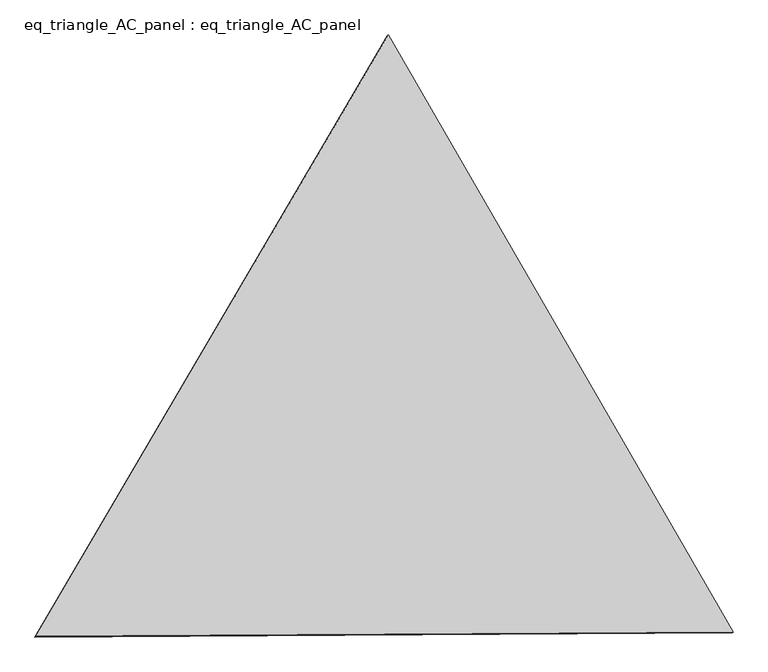
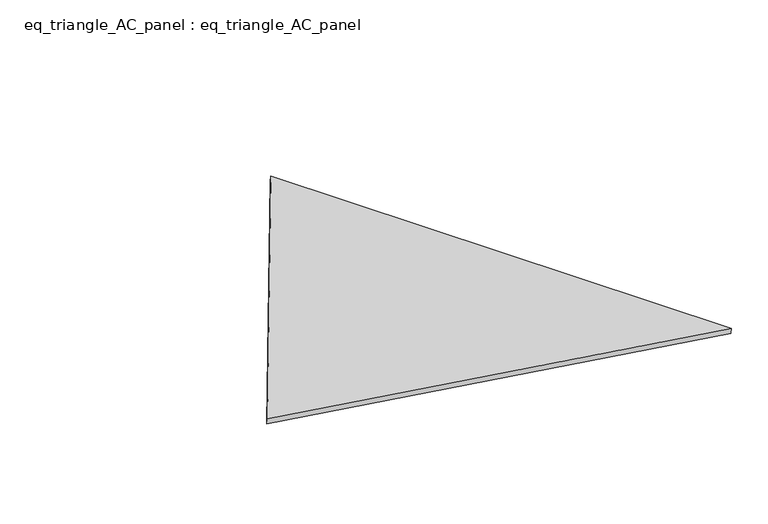
"""IFC4 building model written with IfcOpenShell, lengths in millimetres: proxy geometry, eq_triangle_AC_panel : eq_triangle_AC_panel."""

from ifc_helpers import new_model, si_unit, frame, origin, place, context, project, spatial, polyline, outline, extrude, source, transform, mapped, element, save


def eq_triangle_ac_panel_eq_triangle_ac_panel_51b0db9b(model_context):
    return source(origin(), model_context, "Body", "SweptSolid", [
        extrude(outline(polyline([(-2017.7410617, 1198.9367817), (2017.7410616, 1198.9367817), (-1e-07, -2397.8735635), (-2017.7410617, 1198.9367817)])), frame((0.0038051, 527.9290861, 89.8240019), z_axis=(0.14526328518063691, 0.08386570281792612, 0.9858321976225896), x_axis=(0.5000027697418935, -0.8660238046640248, -2.383668263101655e-06)), (0.0, 0.0, 1.0), 43.8306294),
    ])


if __name__ == "__main__":
    model = new_model("IFC4")
    model_context = context("Model", 3, world=origin())
    ifc_project = project(units=[si_unit("LENGTHUNIT", "METRE", prefix="MILLI")], contexts=[model_context])
    site = spatial("IfcSite", under=ifc_project)
    building = spatial("IfcBuilding", under=site)
    placement = place(None, origin())
    eq_triangle_ac_panel_eq_triangle_ac_panel_shape = eq_triangle_ac_panel_eq_triangle_ac_panel_51b0db9b(model_context)
    element("IfcBuildingElementProxy", 1, Name="eq_triangle_AC_panel : eq_triangle_AC_panel", ObjectType="eq_triangle_AC_panel : eq_triangle_AC_panel", at=placement, inside=building, context=model_context, shape_type="MappedRepresentation", body=[
        mapped(eq_triangle_ac_panel_eq_triangle_ac_panel_shape, transform((0.0, 0.0, 0.0), x_axis=(1.0, 0.0, 0.0), y_axis=(0.0, 1.0, 0.0), z_axis=(0.0, 0.0, 1.0))),
    ])
    save(model, "model.ifc")
